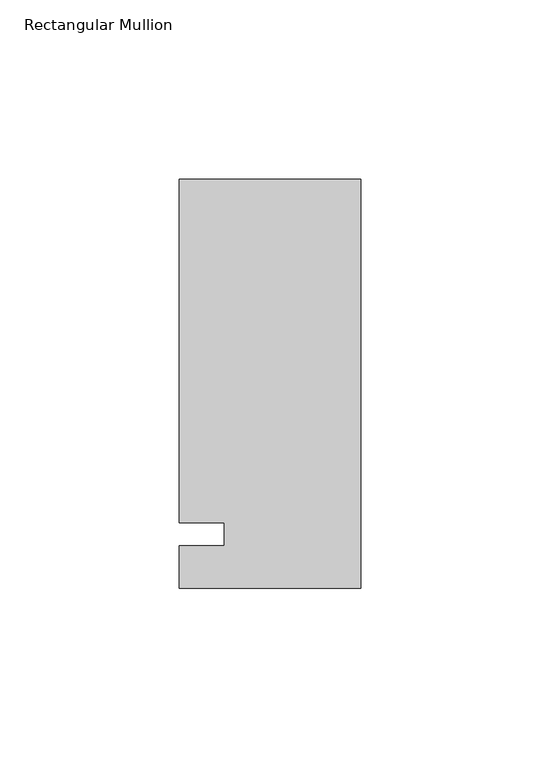
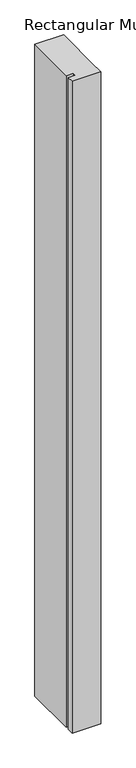
"""IFC4 building model written with IfcOpenShell, lengths in millimetres: member geometry, Rectangular Mullion."""

from ifc_helpers import new_model, si_unit, frame, origin, place, context, project, spatial, polyline, outline, extrude, source, transform, mapped, element, save


def rectangular_mullion_c4d4da77(model_context):
    return source(origin(), model_context, "Body", "SweptSolid", [
        extrude(outline(polyline([(29.7344027, 99.21875), (29.7344027, 3.175), (29.7344027, -3.175), (29.7344027, -15.08125), (-21.0655973, -15.08125), (-21.0655973, -3.175), (-8.3655973, -3.175), (-8.3655973, 3.175), (-21.0655973, 3.175), (-21.0655973, 99.21875), (29.7344027, 99.21875)])), frame((0.0, 0.0, -1219.2), z_axis=(0.0, 0.0, 1.0), x_axis=(1.0, 0.0, 0.0)), (0.0, 0.0, 1.0), 1219.2),
    ])


if __name__ == "__main__":
    model = new_model("IFC4")
    model_context = context("Model", 3, world=origin())
    ifc_project = project(units=[si_unit("LENGTHUNIT", "METRE", prefix="MILLI")], contexts=[model_context])
    site = spatial("IfcSite", under=ifc_project)
    building = spatial("IfcBuilding", under=site)
    placement = place(None, origin())
    rectangular_mullion_shape = rectangular_mullion_c4d4da77(model_context)
    element("IfcMember", 1, ObjectType="Rectangular Mullion", at=placement, inside=building, context=model_context, shape_type="MappedRepresentation", body=[
        mapped(rectangular_mullion_shape, transform((0.0, 0.0, 0.0), x_axis=(1.0, 0.0, 0.0), y_axis=(0.0, 1.0, 0.0), z_axis=(0.0, 0.0, 1.0))),
    ])
    save(model, "model.ifc")
